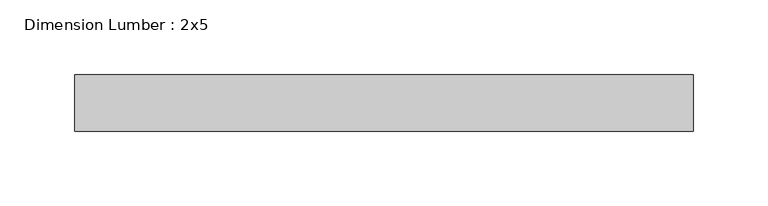
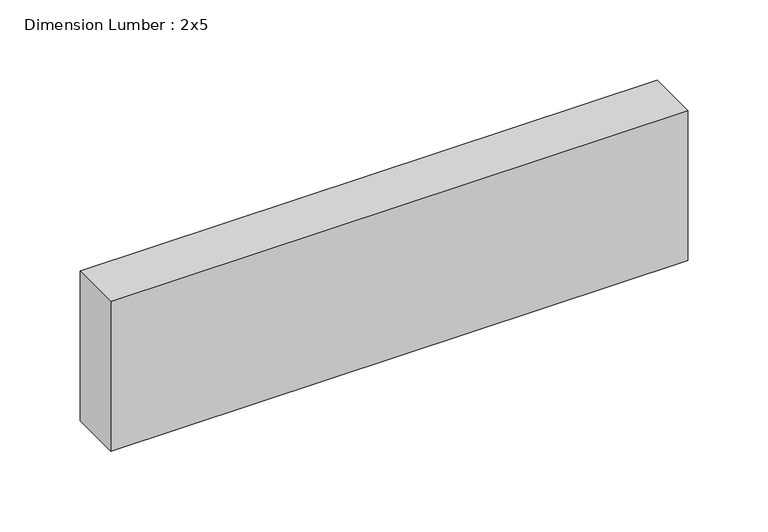
"""IFC4 building model written with IfcOpenShell, lengths in millimetres: beam geometry, Dimension Lumber : 2x5."""

import ifcopenshell
import ifcopenshell.guid

model = None  # the IFC model being written
_history = None  # IfcOwnerHistory: only IFC2X3 demands one
_inside = {}  # id of a spatial element -> (the spatial element, [elements in it])
_under = {}  # id of a project, library or spatial element -> (it, [spatial elements below it])
_declared = {}  # id of a project -> (the project, [libraries it declares])
_typed = {}  # id of a type object -> (the type object, [elements of that type])
_made_of = {}  # id of a material, layer set ... -> (it, [elements and type objects made of it])


def new_model(schema):
    """Start an empty IFC model of exactly this schema.

    Asked for "IFC4X3", IfcOpenShell would pick the latest addendum, in which some entities
    have other attributes; the version numbers below select the first issue.
    IFC2X3 requires an IfcOwnerHistory on every rooted entity: one is made here for all.
    """
    global model, _history
    if schema == "IFC4X3":
        model = ifcopenshell.file(schema_version=(4, 3, 0, 0))
    else:
        model = ifcopenshell.file(schema=schema)
    _inside.clear()
    _under.clear()
    _declared.clear()
    _typed.clear()
    _made_of.clear()
    _history = None
    if model.schema == "IFC2X3":
        org = make("IfcOrganization", Name="unknown")
        user = make(
            "IfcPersonAndOrganization",
            ThePerson=make("IfcPerson", FamilyName="unknown"),
            TheOrganization=org,
        )
        app = make(
            "IfcApplication",
            ApplicationDeveloper=org,
            Version="unknown",
            ApplicationFullName="unknown",
            ApplicationIdentifier="unknown",
        )
        _history = make(
            "IfcOwnerHistory",
            OwningUser=user,
            OwningApplication=app,
            ChangeAction="ADDED",
            CreationDate=0,
        )
    return model


def make(cls, **values):
    """One entity of the class cls with the attributes given. An attribute that is None is left unset."""
    return model.create_entity(
        cls, **{name: value for name, value in values.items() if value is not None}
    )


def rooted(cls, **values):
    """An entity with a GlobalId (a new one), such as an element, a storey or a relation."""
    return make(cls, GlobalId=ifcopenshell.guid.new(), OwnerHistory=_history, **values)


def si_unit(unit_type, name, prefix=None):
    """IfcSIUnit, for example si_unit("LENGTHUNIT", "METRE", prefix="MILLI")."""
    return make("IfcSIUnit", UnitType=unit_type, Prefix=prefix, Name=name)


def assignment(units):
    """IfcUnitAssignment: the units of a project."""
    return None if units is None else make("IfcUnitAssignment", Units=units)


def point(xyz):
    """IfcCartesianPoint."""
    return None if xyz is None else make("IfcCartesianPoint", Coordinates=xyz)


def direction(xyz):
    """IfcDirection."""
    return None if xyz is None else make("IfcDirection", DirectionRatios=xyz)


def frame(location, z_axis=None, x_axis=None):
    """IfcAxis2Placement3D, a coordinate frame: its origin and axes. An axis left out is left unset."""
    return make(
        "IfcAxis2Placement3D",
        Location=point(location),
        Axis=direction(z_axis),
        RefDirection=direction(x_axis),
    )


def origin():
    """The frame at (0, 0, 0) with its axes left unset."""
    return frame((0.0, 0.0, 0.0))


def place(relative_to, where):
    """IfcLocalPlacement: puts the frame where relative to a parent placement (None: the world)."""
    return make(
        "IfcLocalPlacement", PlacementRelTo=relative_to, RelativePlacement=where
    )


def context(
    kind, dimensions, precision=None, world=None, true_north=None, identifier=None
):
    """IfcGeometricRepresentationContext, for example the 3D "Model" context."""
    return make(
        "IfcGeometricRepresentationContext",
        ContextIdentifier=identifier,
        ContextType=kind,
        CoordinateSpaceDimension=dimensions,
        Precision=precision,
        WorldCoordinateSystem=world,
        TrueNorth=true_north,
    )


def project(units=None, contexts=None):
    """IfcProject with its units and contexts."""
    return rooted(
        "IfcProject",
        Name="project",
        RepresentationContexts=contexts,
        UnitsInContext=assignment(units),
    )


def spatial(cls, under=None, at=None, **own):
    """A site, building, storey or space (cls), placed at a placement, below another one or the project."""
    s = rooted(cls, ObjectPlacement=at, **own)
    if under is not None:
        _under.setdefault(under.id(), (under, []))[1].append(s)
    return s


def polyline(points):
    """IfcPolyline through the points."""
    return make("IfcPolyline", Points=[point(p) for p in points])


def outline(outer, holes=None, kind="AREA"):
    """IfcArbitraryClosedProfileDef: a profile drawn as a closed curve; with holes, ...WithVoids."""
    if holes is None:
        return make("IfcArbitraryClosedProfileDef", ProfileType=kind, OuterCurve=outer)
    return make(
        "IfcArbitraryProfileDefWithVoids",
        ProfileType=kind,
        OuterCurve=outer,
        InnerCurves=holes,
    )


def extrude(swept, where, along, depth):
    """IfcExtrudedAreaSolid: the profile swept, set in the frame where, extruded along a direction by depth."""
    return make(
        "IfcExtrudedAreaSolid",
        SweptArea=swept,
        Position=where,
        ExtrudedDirection=direction(along),
        Depth=depth,
    )


def shape(context_of_items, identifier, shape_type, items):
    """IfcShapeRepresentation: the items that make up one representation, for example the "Body"."""
    return make(
        "IfcShapeRepresentation",
        ContextOfItems=context_of_items,
        RepresentationIdentifier=identifier,
        RepresentationType=shape_type,
        Items=items,
    )


def source(mapping_origin, context_of_items, identifier, shape_type, items):
    """IfcRepresentationMap: a shape defined once, which mapped items show again and again."""
    return make(
        "IfcRepresentationMap",
        MappingOrigin=mapping_origin,
        MappedRepresentation=shape(context_of_items, identifier, shape_type, items),
    )


def transform(
    local_origin,
    x_axis=None,
    y_axis=None,
    z_axis=None,
    scale=None,
    scale2=None,
    scale3=None,
    uniform=True,
):
    """IfcCartesianTransformationOperator3D, or its non-uniform kind. x_axis, y_axis, z_axis: its Axis1, 2, 3."""
    if uniform:
        return make(
            "IfcCartesianTransformationOperator3D",
            Axis1=direction(x_axis),
            Axis2=direction(y_axis),
            LocalOrigin=point(local_origin),
            Scale=scale,
            Axis3=direction(z_axis),
        )
    return make(
        "IfcCartesianTransformationOperator3DnonUniform",
        Axis1=direction(x_axis),
        Axis2=direction(y_axis),
        LocalOrigin=point(local_origin),
        Scale=scale,
        Axis3=direction(z_axis),
        Scale2=scale2,
        Scale3=scale3,
    )


def mapped(mapping_source, mapping_target):
    """IfcMappedItem: shows the shape of a source again, moved by a transform."""
    return make(
        "IfcMappedItem", MappingSource=mapping_source, MappingTarget=mapping_target
    )


def made_of(thing, what):
    """Note that an element or type object is made of a material, layer set ...; save() writes the relation."""
    if what is not None:
        _made_of.setdefault(what.id(), (what, []))[1].append(thing)
    return thing


def element(
    cls,
    number,
    at=None,
    inside=None,
    cuts=None,
    type_object=None,
    material=None,
    context=None,
    identifier="Body",
    shape_type=None,
    held_by="IfcProductDefinitionShape",
    body=None,
    shapes=None,
    **own,
):
    """One element of the class cls, such as IfcWall. Its Tag is "e" and its number.

    at: its placement. inside: the storey or other place that contains it. cuts: it is an
    opening in that element (IfcRelVoidsElement). A single representation is given by context,
    identifier, shape_type and body (its items); several are given by shapes. held_by: the class
    of the entity that holds the representations. save() writes the other relations.
    """
    e = rooted(cls, Tag="e%d" % number, ObjectPlacement=at, **own)
    if body is not None:
        shapes = [shape(context, identifier, shape_type, body)]
    if shapes is not None:
        e.Representation = make(held_by, Representations=shapes)
    if inside is not None:
        _inside.setdefault(inside.id(), (inside, []))[1].append(e)
    if cuts is not None:
        rooted(
            "IfcRelVoidsElement", RelatingBuildingElement=cuts, RelatedOpeningElement=e
        )
    if type_object is not None:
        _typed.setdefault(type_object.id(), (type_object, []))[1].append(e)
    return made_of(e, material)


def aggregate(whole, parts):
    """IfcRelAggregates: a whole, such as a stair, and the parts it consists of."""
    return rooted("IfcRelAggregates", RelatingObject=whole, RelatedObjects=parts)


def save(model, path):
    """Write the relations noted so far, then the file.

    IfcRelAggregates (storeys below a building ...), IfcRelContainedInSpatialStructure (elements
    in a storey), IfcRelDefinesByType, IfcRelAssociatesMaterial and IfcRelDeclares: one each for
    every whole, place, type object, material and project.
    """
    for whole, parts in _under.values():
        aggregate(whole, parts)
    for where, things in _inside.values():
        rooted(
            "IfcRelContainedInSpatialStructure",
            RelatedElements=things,
            RelatingStructure=where,
        )
    for kind, things in _typed.values():
        rooted("IfcRelDefinesByType", RelatedObjects=things, RelatingType=kind)
    for what, things in _made_of.values():
        rooted("IfcRelAssociatesMaterial", RelatedObjects=things, RelatingMaterial=what)
    for by, libraries in _declared.values():
        rooted("IfcRelDeclares", RelatingContext=by, RelatedDefinitions=libraries)
    model.write(path)


def dimension_lumber_2x5_6c0a3597(model_context):
    return source(origin(), model_context, "Body", "SweptSolid", [
        extrude(outline(polyline([(207.6961476, 19.05), (207.6961476, -19.05), (-207.6961476, -19.05), (-207.6961476, 19.05), (207.6961476, 19.05)])), frame((0.0, 0.0, -57.15), z_axis=(0.0, 0.0, 1.0), x_axis=(1.0, 0.0, 0.0)), (0.0, 0.0, 1.0), 114.3),
    ])


if __name__ == "__main__":
    model = new_model("IFC4")
    model_context = context("Model", 3, world=origin())
    ifc_project = project(units=[si_unit("LENGTHUNIT", "METRE", prefix="MILLI")], contexts=[model_context])
    site = spatial("IfcSite", under=ifc_project)
    building = spatial("IfcBuilding", under=site)
    placement = place(None, origin())
    dimension_lumber_2x5_shape = dimension_lumber_2x5_6c0a3597(model_context)
    element("IfcBeam", 1, ObjectType="Dimension Lumber : 2x5", at=placement, inside=building, context=model_context, shape_type="MappedRepresentation", body=[
        mapped(dimension_lumber_2x5_shape, transform((0.0, 0.0, 0.0), x_axis=(1.0, 0.0, 0.0), y_axis=(0.0, 1.0, 0.0), z_axis=(0.0, 0.0, 1.0))),
    ])
    save(model, "model.ifc")
